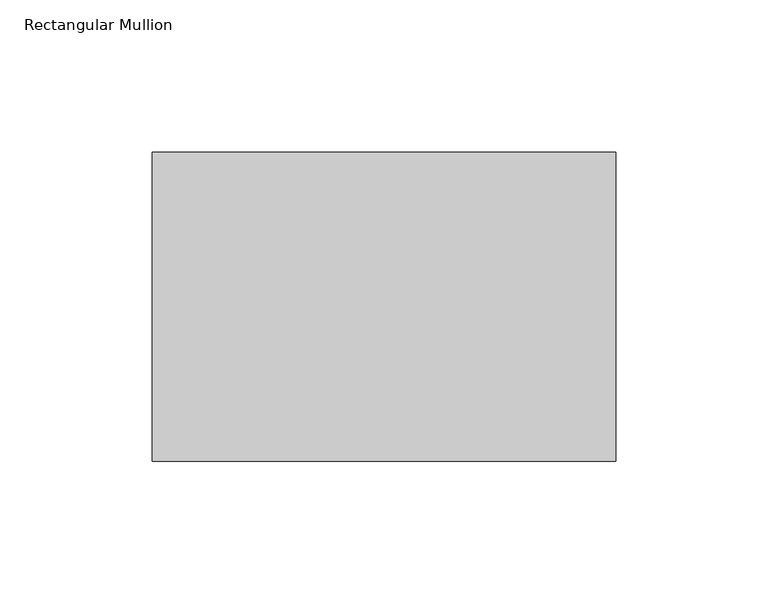
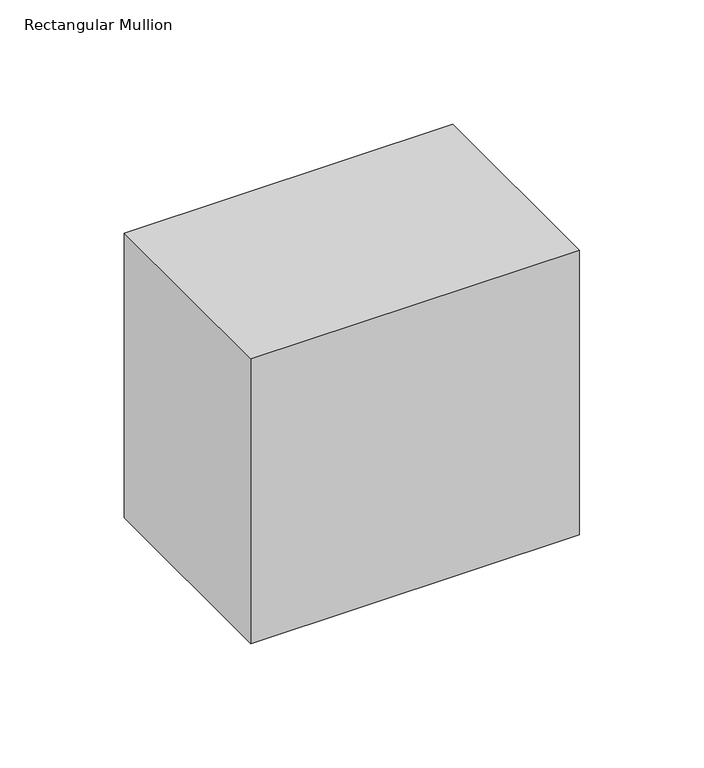
"""IFC4 building model written with IfcOpenShell, lengths in millimetres: member geometry, Rectangular Mullion."""

from ifc_helpers import new_model, si_unit, frame, origin, place, context, project, spatial, polyline, outline, extrude, source, transform, mapped, element, save


def rectangular_mullion_60a1535a(model_context):
    return source(origin(), model_context, "Body", "SweptSolid", [
        extrude(outline(polyline([(0.0, 19.05), (0.0, -82.55), (-152.4, -82.55), (-152.4, 19.05), (0.0, 19.05)])), frame((0.0, 0.0, -139.7), z_axis=(0.0, 0.0, 1.0), x_axis=(1.0, 0.0, 0.0)), (0.0, 0.0, 1.0), 139.7),
    ])


if __name__ == "__main__":
    model = new_model("IFC4")
    model_context = context("Model", 3, world=origin())
    ifc_project = project(units=[si_unit("LENGTHUNIT", "METRE", prefix="MILLI")], contexts=[model_context])
    site = spatial("IfcSite", under=ifc_project)
    building = spatial("IfcBuilding", under=site)
    placement = place(None, origin())
    rectangular_mullion_shape = rectangular_mullion_60a1535a(model_context)
    element("IfcMember", 1, ObjectType="Rectangular Mullion", at=placement, inside=building, context=model_context, shape_type="MappedRepresentation", body=[
        mapped(rectangular_mullion_shape, transform((0.0, 0.0, 0.0), x_axis=(1.0, 0.0, 0.0), y_axis=(0.0, 1.0, 0.0), z_axis=(0.0, 0.0, 1.0))),
    ])
    save(model, "model.ifc")
